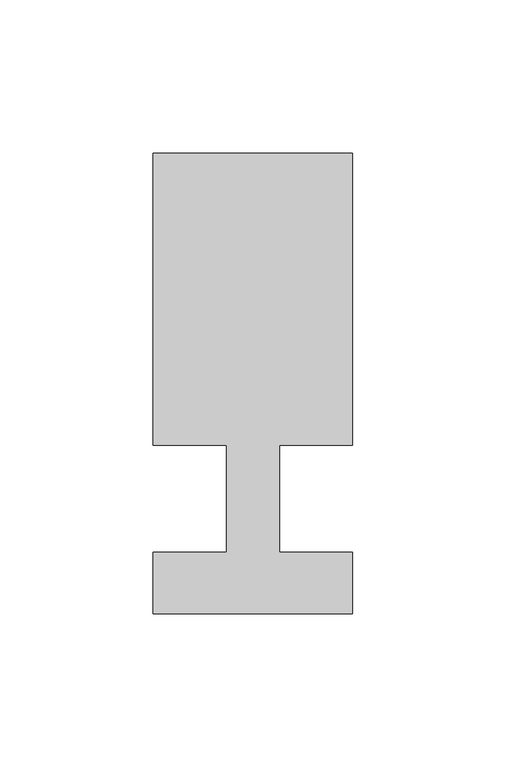
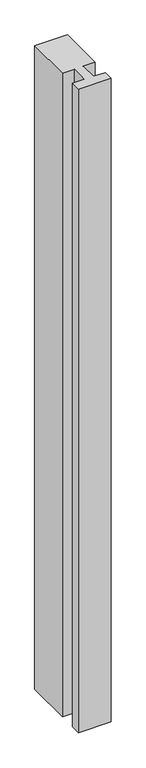
"""IFC4 building model written with IfcOpenShell, lengths in millimetres: member geometry."""

from ifc_helpers import new_model, si_unit, frame, origin, place, context, project, spatial, polyline, outline, extrude, source, transform, mapped, element, save


def member_1bde73b1(model_context):
    return source(origin(), model_context, "Body", "SweptSolid", [
        extrude(outline(polyline([(0.0, -37.0), (-65.0, -37.0), (-65.0, -17.0), (-41.1875, -17.0), (-41.1875, 18.0), (-65.0, 18.0), (-65.0, 113.0), (0.0, 113.0), (0.0, 18.0), (-23.8125, 18.0), (-23.8125, -17.0), (0.0, -17.0), (0.0, -37.0)])), frame((0.0, 0.0, -1350.0), z_axis=(0.0, 0.0, 1.0), x_axis=(1.0, 0.0, 0.0)), (0.0, 0.0, 1.0), 1350.0),
    ])


if __name__ == "__main__":
    model = new_model("IFC4")
    model_context = context("Model", 3, world=origin())
    ifc_project = project(units=[si_unit("LENGTHUNIT", "METRE", prefix="MILLI")], contexts=[model_context])
    site = spatial("IfcSite", under=ifc_project)
    building = spatial("IfcBuilding", under=site)
    placement = place(None, origin())
    member_shape = member_1bde73b1(model_context)
    element("IfcMember", 1, at=placement, inside=building, context=model_context, shape_type="MappedRepresentation", body=[
        mapped(member_shape, transform((0.0, 0.0, 0.0), x_axis=(1.0, 0.0, 0.0), y_axis=(0.0, 1.0, 0.0), z_axis=(0.0, 0.0, 1.0))),
    ])
    save(model, "model.ifc")
